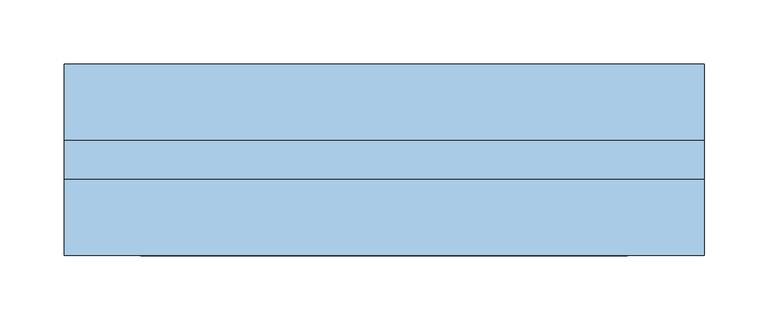
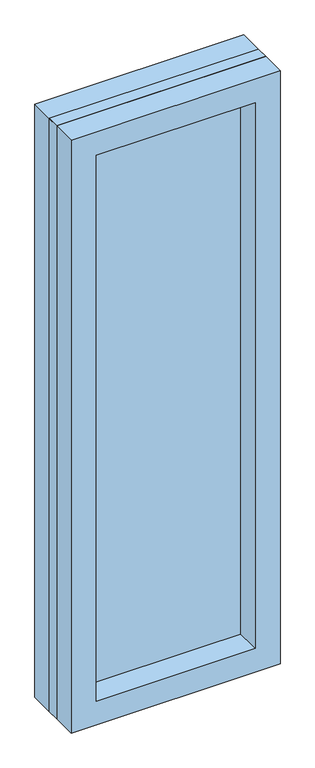
"""IFC4 building model written with IfcOpenShell, lengths in millimetres: window geometry."""

from ifc_helpers import new_model, si_unit, frame, origin, place, context, project, spatial, polyline, outline, extrude, source, transform, mapped, element, save


def window_c27c1e44(model_context):
    return source(origin(), model_context, "Body", "SweptSolid", [
        extrude(outline(polyline([(250.0, -15.0), (-250.0, -15.0), (-250.0, 15.0), (250.0, 15.0), (250.0, -15.0)])), frame((0.0, 0.0, 800.0), z_axis=(0.0, 0.0, 1.0), x_axis=(1.0, 0.0, 0.0)), (0.0, 0.0, 1.0), 1500.0),
        extrude(outline(polyline([(2300.0, -250.0), (800.0, -250.0), (800.0, 250.0), (2300.0, 250.0), (2300.0, -250.0)]), holes=[polyline([(2240.0, -190.0), (2240.0, 190.0), (860.0, 190.0), (860.0, -190.0), (2240.0, -190.0)])]), frame((0.0, -75.0, 0.0), z_axis=(0.0, 1.0, 0.0), x_axis=(0.0, 0.0, 1.0)), (0.0, 0.0, 1.0), 150.0),
    ])


if __name__ == "__main__":
    model = new_model("IFC4")
    model_context = context("Model", 3, world=origin())
    ifc_project = project(units=[si_unit("LENGTHUNIT", "METRE", prefix="MILLI")], contexts=[model_context])
    site = spatial("IfcSite", under=ifc_project)
    building = spatial("IfcBuilding", under=site)
    placement = place(None, origin())
    window_shape = window_c27c1e44(model_context)
    element("IfcWindow", 1, at=placement, inside=building, context=model_context, shape_type="MappedRepresentation", body=[
        mapped(window_shape, transform((0.0, 0.0, 0.0), x_axis=(1.0, 0.0, 0.0), y_axis=(0.0, 1.0, 0.0), z_axis=(0.0, 0.0, 1.0))),
    ])
    save(model, "model.ifc")
